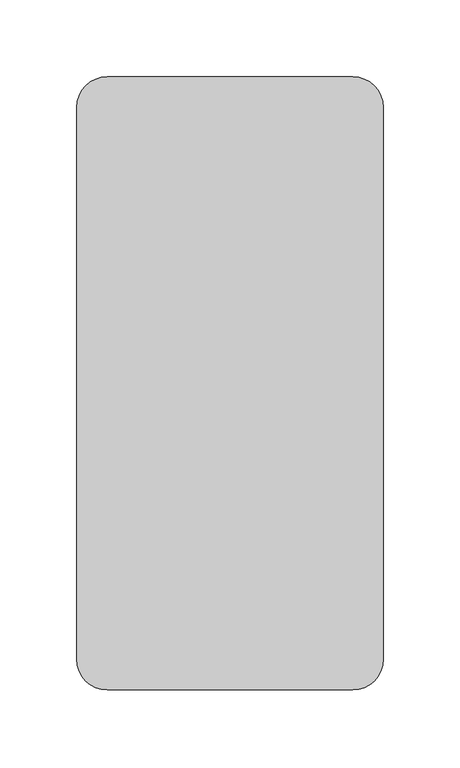
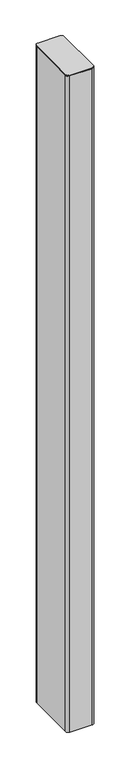
"""IFC4 building model written with IfcOpenShell, lengths in millimetres: column geometry."""

from ifc_helpers import new_model, si_unit, point, frame, frame_2d, origin, origin_with_axes, place, context, project, spatial, polyline, circle_curve, trimmed, segment, composite_curve, outline, extrude, source, transform, mapped, element, save


def column_20341db9(model_context):
    return source(origin(), model_context, "Body", "SweptSolid", [
        extrude(outline(composite_curve([segment(trimmed(circle_curve(frame_2d((80.0, 180.0)), 20.0), [point((80.0, 200.0))], [point((100.0, 180.0))], False, "CARTESIAN"), True, "CONTINUOUS"), segment(polyline([(100.0, 180.0), (100.0, -180.0)]), True, "CONTINUOUS"), segment(trimmed(circle_curve(frame_2d((80.0, -180.0)), 20.0), [point((100.0, -180.0))], [point((80.0, -200.0))], False, "CARTESIAN"), True, "CONTINUOUS"), segment(polyline([(80.0, -200.0), (-80.0, -200.0)]), True, "CONTINUOUS"), segment(trimmed(circle_curve(frame_2d((-80.0, -180.0)), 20.0), [point((-80.0, -200.0))], [point((-100.0, -180.0))], False, "CARTESIAN"), True, "CONTINUOUS"), segment(polyline([(-100.0, -180.0), (-100.0, 180.0)]), True, "CONTINUOUS"), segment(trimmed(circle_curve(frame_2d((-80.0, 180.0)), 20.0), [point((-100.0, 180.0))], [point((-80.0, 200.0))], False, "CARTESIAN"), True, "CONTINUOUS"), segment(polyline([(-80.0, 200.0), (80.0, 200.0)]), True, "CONTINUOUS")], self_intersect=False), holes=[composite_curve([segment(polyline([(93.0, -180.0), (93.0, 180.0)]), True, "CONTINUOUS"), segment(trimmed(circle_curve(frame_2d((80.0, 180.0)), 13.0), [point((93.0, 180.0))], [point((80.0, 193.0))], True, "CARTESIAN"), True, "CONTINUOUS"), segment(polyline([(80.0, 193.0), (-80.0, 193.0)]), True, "CONTINUOUS"), segment(trimmed(circle_curve(frame_2d((-80.0, 180.0)), 13.0), [point((-80.0, 193.0))], [point((-93.0, 180.0))], True, "CARTESIAN"), True, "CONTINUOUS"), segment(polyline([(-93.0, 180.0), (-93.0, -180.0)]), True, "CONTINUOUS"), segment(trimmed(circle_curve(frame_2d((-80.0, -180.0)), 13.0), [point((-93.0, -180.0))], [point((-80.0, -193.0))], True, "CARTESIAN"), True, "CONTINUOUS"), segment(polyline([(-80.0, -193.0), (80.0, -193.0)]), True, "CONTINUOUS"), segment(trimmed(circle_curve(frame_2d((80.0, -180.0)), 13.0), [point((80.0, -193.0))], [point((93.0, -180.0))], True, "CARTESIAN"), True, "CONTINUOUS")], self_intersect=False)]), origin_with_axes(), (0.0, 0.0, 1.0), 4993.0),
        extrude(outline(composite_curve([segment(trimmed(circle_curve(frame_2d((80.0, 180.0)), 20.0), [point((80.0, 200.0))], [point((100.0, 180.0))], False, "CARTESIAN"), True, "CONTINUOUS"), segment(polyline([(100.0, 180.0), (100.0, -180.0)]), True, "CONTINUOUS"), segment(trimmed(circle_curve(frame_2d((80.0, -180.0)), 20.0), [point((100.0, -180.0))], [point((80.0, -200.0))], False, "CARTESIAN"), True, "CONTINUOUS"), segment(polyline([(80.0, -200.0), (-80.0, -200.0)]), True, "CONTINUOUS"), segment(trimmed(circle_curve(frame_2d((-80.0, -180.0)), 20.0), [point((-80.0, -200.0))], [point((-100.0, -180.0))], False, "CARTESIAN"), True, "CONTINUOUS"), segment(polyline([(-100.0, -180.0), (-100.0, 180.0)]), True, "CONTINUOUS"), segment(trimmed(circle_curve(frame_2d((-80.0, 180.0)), 20.0), [point((-100.0, 180.0))], [point((-80.0, 200.0))], False, "CARTESIAN"), True, "CONTINUOUS"), segment(polyline([(-80.0, 200.0), (80.0, 200.0)]), True, "CONTINUOUS")], self_intersect=False)), frame((0.0, 0.0, 4993.0), z_axis=(0.0, 0.0, 1.0), x_axis=(1.0, 0.0, 0.0)), (0.0, 0.0, 1.0), 7.0),
    ])


if __name__ == "__main__":
    model = new_model("IFC4")
    model_context = context("Model", 3, world=origin())
    ifc_project = project(units=[si_unit("LENGTHUNIT", "METRE", prefix="MILLI")], contexts=[model_context])
    site = spatial("IfcSite", under=ifc_project)
    building = spatial("IfcBuilding", under=site)
    placement = place(None, origin())
    column_shape = column_20341db9(model_context)
    element("IfcColumn", 1, at=placement, inside=building, context=model_context, shape_type="MappedRepresentation", body=[
        mapped(column_shape, transform((0.0, 0.0, 0.0), x_axis=(1.0, 0.0, 0.0), y_axis=(0.0, 1.0, 0.0), z_axis=(0.0, 0.0, 1.0))),
    ])
    save(model, "model.ifc")
